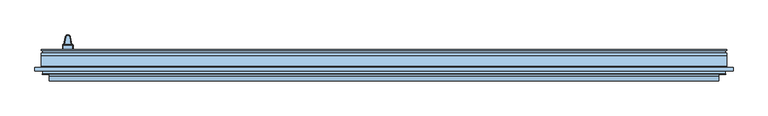
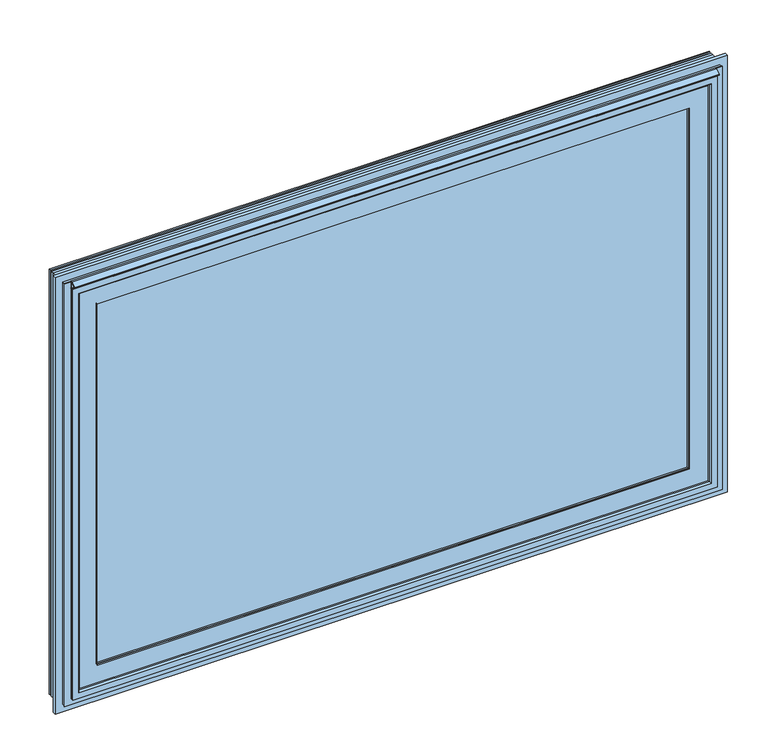
"""IFC4 building model written with IfcOpenShell, lengths in millimetres: window geometry."""

from ifc_helpers import new_model, si_unit, point, frame, origin, place, context, project, spatial, polyline, circle_curve, ellipse_curve, trimmed, outline, extrude, faceted_brep, source, transform, mapped, element, save
from ifc_brep_helpers import plane_surface, cylinder_surface, revolved_surface, advanced_brep


def window_07ccce15(model_context):
    return source(origin(), model_context, "Body", "SolidModel", [
        advanced_brep(
        [(-957.4543751, 15.0, 741.3979431), (-956.7147918, 15.0, 740.4324468), (-956.7147918, 15.0, 649.5675532), (-957.4543751, 15.0, 648.6020569), (-982.9752084, 15.0, 648.6020569), (-983.7147918, 15.0, 649.5675532), (-983.7147918, 15.0, 740.4324468), (-982.9752084, 15.0, 741.3979431), (-979.1685119, 15.0, 710.0), (-982.2147918, 15.0, 707.0), (-982.2147918, 15.0, 680.0), (-958.2147918, 15.0, 680.0), (-958.2147918, 15.0, 707.0), (-961.2610716, 15.0, 710.0), (-986.7147918, 0.0, 649.5675532), (-983.7564584, 0.0, 645.7055679), (-956.6731251, 0.0, 645.7055679), (-953.7147918, 0.0, 649.5675532), (-953.7147918, 0.0, 740.4324468), (-956.6731251, 0.0, 744.2944321), (-983.7564584, 0.0, 744.2944321), (-986.7147918, 0.0, 740.4324468), (-983.7564584, 12.0000017, 645.7055679), (-956.6731251, 12.0, 645.7055679), (-953.7147918, 12.0, 649.5675532), (-953.7147918, 12.0, 740.4324468), (-956.6731251, 12.0000017, 744.2944321), (-983.7564584, 12.0, 744.2944321), (-986.7147918, 12.0, 740.4324468), (-986.7147918, 12.0, 649.5675532), (-965.2793046, 37.7885318, 710.0), (-975.1502789, 37.7885318, 710.0), (-962.3248814, 38.3094763, 572.088623), (-978.1047022, 38.3094763, 572.088623), (-962.3248814, 38.3094763, 680.0), (-962.3248814, 38.3094763, 707.0000026), (-978.1047022, 38.3094763, 680.0), (-978.1047022, 38.3094763, 707.0)],
        [
            (0, 1, circle_curve(frame((-957.7147918, 15.0, 740.4324468), z_axis=(0.0, 1.0, 0.0), x_axis=(1.0, 0.0, 0.0)), 1.0)),
            (1, 2),
            (2, 3, circle_curve(frame((-957.7147918, 15.0, 649.5675532), z_axis=(0.0, 1.0, 0.0), x_axis=(0.2604166666660539, 0.0, -0.965496328176623)), 1.0)),
            (3, 4, circle_curve(frame((-970.2147918, 15.0, 695.911377), z_axis=(0.0, 1.0, 0.0), x_axis=(-0.2604166666666265, 0.0, -0.9654963281764687)), 49.0)),
            (4, 5, circle_curve(frame((-982.7147918, 15.0, 649.5675532), z_axis=(0.0, 1.0, 0.0), x_axis=(-1.0, 0.0, 0.0)), 1.0)),
            (5, 6),
            (6, 7, circle_curve(frame((-982.7147918, 15.0, 740.4324468), z_axis=(0.0, 1.0, 0.0), x_axis=(-0.2604166666664053, 0.0, 0.9654963281765282)), 1.0)),
            (7, 0, circle_curve(frame((-970.2147918, 15.0, 694.088623), z_axis=(0.0, 1.0, 0.0), x_axis=(0.26041666666640656, 0.0, 0.965496328176528)), 49.0)),
            (8, 9, ellipse_curve(frame((-979.1685119, 15.0, 707.0), z_axis=(0.0, -1.0, 0.0), x_axis=(1.0, 0.0, 0.0)), 3.0462798, 3.0)),
            (9, 10),
            (10, 11),
            (11, 12),
            (12, 13, ellipse_curve(frame((-961.2610716, 15.0, 707.0), z_axis=(0.0, -1.0, 0.0), x_axis=(1.0, 0.0, 0.0)), 3.0462798, 3.0)),
            (13, 8),
            (14, 15, circle_curve(frame((-982.7147918, 0.0, 649.5675532), z_axis=(0.0, -1.0, 0.0), x_axis=(1.0, 0.0, 0.0)), 4.0)),
            (15, 16, circle_curve(frame((-970.2147918, 0.0, 695.911377), z_axis=(0.0, -1.0, 0.0), x_axis=(1.0, 0.0, 0.0)), 52.0)),
            (16, 17, circle_curve(frame((-957.7147918, 0.0, 649.5675532), z_axis=(0.0, -1.0, 0.0), x_axis=(-1.0, 0.0, 0.0)), 4.0)),
            (17, 18),
            (18, 19, circle_curve(frame((-957.7147918, 0.0, 740.4324468), z_axis=(0.0, -1.0, 0.0), x_axis=(-1.0, 0.0, 0.0)), 4.0)),
            (19, 20, circle_curve(frame((-970.2147918, 0.0, 694.088623), z_axis=(0.0, -1.0, 0.0), x_axis=(1.0, 0.0, 0.0)), 52.0)),
            (20, 21, circle_curve(frame((-982.7147918, 0.0, 740.4324468), z_axis=(0.0, -1.0, 0.0), x_axis=(1.0, 0.0, 0.0)), 4.0)),
            (21, 14),
            (15, 22),
            (22, 23, circle_curve(frame((-970.2147918, 12.0, 695.911377), z_axis=(0.0, -1.0, 0.0), x_axis=(1.0, 0.0, 0.0)), 52.0)),
            (23, 16),
            (17, 24),
            (24, 25),
            (25, 18),
            (19, 26),
            (26, 27, circle_curve(frame((-970.2147918, 12.0, 694.088623), z_axis=(0.0, -1.0, 0.0), x_axis=(1.0, 0.0, 0.0)), 52.0)),
            (27, 20),
            (21, 28),
            (28, 29),
            (29, 14),
            (26, 0, circle_curve(frame((-957.4543751, 12.0, 741.3979431), z_axis=(-0.965496328176528, 0.0, 0.26041666666640645), x_axis=(0.26041666666640645, 0.0, 0.965496328176528)), 3.0)),
            (7, 27, circle_curve(frame((-982.9752084, 12.0, 741.3979431), z_axis=(0.9654963281765283, 0.0, 0.26041666666640545), x_axis=(-0.26041666666640545, 0.0, 0.9654963281765283)), 3.0)),
            (28, 6, circle_curve(frame((-983.7147918, 12.0, 740.4324468), z_axis=(0.0, 0.0, -1.0), x_axis=(-1.0, 0.0, 0.0)), 3.0)),
            (5, 29, circle_curve(frame((-983.7147918, 12.0, 649.5675532), z_axis=(0.0, 0.0, 1.0), x_axis=(-1.0, 0.0, 0.0)), 3.0)),
            (22, 4, circle_curve(frame((-982.9752084, 12.0, 648.6020569), z_axis=(0.9654963281764687, 0.0, -0.2604166666666264), x_axis=(-0.2604166666666264, 0.0, -0.9654963281764687)), 3.0)),
            (3, 23, circle_curve(frame((-957.4543751, 12.0, 648.6020569), z_axis=(-0.9654963281766014, 0.0, -0.26041666666613444), x_axis=(0.26041666666613444, 0.0, -0.9654963281766014)), 3.0)),
            (24, 2, circle_curve(frame((-956.7147918, 12.0, 649.5675532), z_axis=(0.0, 0.0, 1.0), x_axis=(1.0, 0.0, 0.0)), 3.0)),
            (1, 25, circle_curve(frame((-956.7147918, 12.0, 740.4324468), z_axis=(0.0, 0.0, -1.0), x_axis=(1.0, 0.0, 0.0)), 3.0)),
            (29, 22, circle_curve(frame((-982.7147918, 12.0, 649.5675532), z_axis=(0.0, -1.0, 0.0), x_axis=(1.0, 0.0, 0.0)), 4.0)),
            (23, 24, circle_curve(frame((-957.7147918, 12.0, 649.5675532), z_axis=(0.0, -1.0, 0.0), x_axis=(-1.0, 0.0, 0.0)), 4.0)),
            (25, 26, circle_curve(frame((-957.7147918, 12.0, 740.4324468), z_axis=(0.0, -1.0, 0.0), x_axis=(-1.0, 0.0, 0.0)), 4.0)),
            (27, 28, circle_curve(frame((-982.7147918, 12.0, 740.4324468), z_axis=(0.0, -1.0, 0.0), x_axis=(1.0, 0.0, 0.0)), 4.0)),
            (13, 30),
            (30, 31, circle_curve(frame((-970.2147918, 36.9182722, 710.0), z_axis=(0.0, 0.0, 1.0), x_axis=(-0.9848077530122089, 0.17364817766692564, 0.0)), 5.011625)),
            (31, 8),
            (32, 33, circle_curve(frame((-970.2147918, 36.9182722, 572.088623), z_axis=(0.0, 0.0, -1.0), x_axis=(1.0, 0.0, 0.0)), 8.011625)),
            (33, 32, circle_curve(frame((-970.2147918, 36.9182722, 572.088623), z_axis=(0.0, 0.0, -1.0), x_axis=(1.0, 0.0, 0.0)), 8.011625)),
            (11, 34),
            (34, 35),
            (35, 12),
            (33, 36),
            (36, 37),
            (37, 35, circle_curve(frame((-970.2147918, 36.9182722, 707.0), z_axis=(0.0, 0.0, -1.0), x_axis=(1.0, 0.0, 0.0)), 8.011625)),
            (34, 32),
            (36, 10),
            (9, 37),
            (31, 37, circle_curve(frame((-975.1502789, 37.7885318, 707.0), z_axis=(-0.17364817766693155, -0.9848077530122079, 0.0), x_axis=(0.9848077530122079, -0.17364817766693155, 0.0)), 3.0)),
            (30, 35, circle_curve(frame((-965.2793046, 37.7885318, 707.0), z_axis=(-0.1736481776669173, 0.9848077530122104, 0.0), x_axis=(-0.9848077530122104, -0.1736481776669173, 0.0)), 3.0)),
            (36, 34, circle_curve(frame((-970.2147918, 36.9182722, 680.0), z_axis=(0.0, 0.0, 1.0), x_axis=(1.0, 0.0, 0.0)), 8.011625)),
        ],
        [
            plane_surface(frame((-978.7147918, 15.0, 649.5675532), z_axis=(0.0, 1.0, 0.0), x_axis=(0.0, 0.0, 1.0))),
            plane_surface(frame((-978.7147918, 0.0, 649.5675532), z_axis=(0.0, -1.0, 0.0), x_axis=(0.0, 0.0, -1.0))),
            cylinder_surface(frame((-970.2147918, 0.0, 695.911377), z_axis=(0.0, 1.0, 0.0), x_axis=(1.0, 0.0, 0.0)), 52.0),
            plane_surface(frame((-953.7147918, 15.0, 649.5675532), z_axis=(1.0, 0.0, 0.0), x_axis=(0.0, -1.0, 0.0))),
            cylinder_surface(frame((-970.2147918, 0.0, 694.088623), z_axis=(0.0, 1.0, 0.0), x_axis=(1.0, 0.0, 0.0)), 52.0),
            plane_surface(frame((-986.7147918, 15.0, 740.4324468), z_axis=(-1.0, 0.0, 0.0), x_axis=(0.0, -1.0, 0.0))),
            revolved_surface(trimmed(ellipse_curve(frame((-957.4543751, 12.0, 741.3979431), z_axis=(-0.965496328176528, 0.0, 0.26041666666640645), x_axis=(0.26041666666640645, 0.0, 0.965496328176528)), 3.0, 3.0), [point((-956.6731251, 12.0, 744.2944321))], [point((-957.4543751, 15.0, 741.3979431))], True, "CARTESIAN"), (-970.2147918, 0.0, 694.088623), (0.0, 1.0, 0.0)),
            cylinder_surface(frame((-983.7147918, 12.0, 740.4324468), z_axis=(0.0, 0.0, -1.0), x_axis=(-1.0, 0.0, 0.0)), 3.0),
            revolved_surface(trimmed(ellipse_curve(frame((-982.9752084, 12.0, 648.6020569), z_axis=(0.9654963281764687, 0.0, -0.2604166666666264), x_axis=(-0.2604166666666264, 0.0, -0.9654963281764687)), 3.0, 3.0), [point((-983.7564584, 12.0, 645.7055679))], [point((-982.9752084, 15.0, 648.6020569))], True, "CARTESIAN"), (-970.2147918, 0.0, 695.911377), (0.0, 1.0, 0.0)),
            cylinder_surface(frame((-956.7147918, 12.0, 649.5675532), z_axis=(0.0, 0.0, 1.0), x_axis=(1.0, 0.0, 0.0)), 3.0),
            cylinder_surface(frame((-982.7147918, 0.0, 649.5675532), z_axis=(0.0, 1.0, 0.0), x_axis=(1.0, 0.0, 0.0)), 4.0),
            cylinder_surface(frame((-957.7147918, 0.0, 649.5675532), z_axis=(0.0, 1.0, 0.0), x_axis=(-1.0, 0.0, 0.0)), 4.0),
            cylinder_surface(frame((-957.7147918, 0.0, 740.4324468), z_axis=(0.0, 1.0, 0.0), x_axis=(-1.0, 0.0, 0.0)), 4.0),
            cylinder_surface(frame((-982.7147918, 0.0, 740.4324468), z_axis=(0.0, 1.0, 0.0), x_axis=(1.0, 0.0, 0.0)), 4.0),
            revolved_surface(trimmed(ellipse_curve(frame((-956.7147918, 12.0, 740.4324468), z_axis=(0.0, 0.0, 1.0), x_axis=(1.0, 0.0, 0.0)), 3.0, 3.0), [point((-953.7147918, 12.0, 740.4324468))], [point((-956.7147918, 15.0, 740.4324468))], True, "CARTESIAN"), (-957.7147918, 0.0, 740.4324468), (0.0, 1.0, 0.0)),
            revolved_surface(trimmed(ellipse_curve(frame((-982.9752084, 12.0, 741.3979431), z_axis=(-0.9654963281765282, 0.0, -0.26041666666640545), x_axis=(-0.26041666666640545, 0.0, 0.9654963281765282)), 3.0, 3.0), [point((-983.7564584, 12.0, 744.2944321))], [point((-982.9752084, 15.0, 741.3979431))], True, "CARTESIAN"), (-982.7147918, 0.0, 740.4324468), (0.0, 1.0, 0.0)),
            revolved_surface(trimmed(ellipse_curve(frame((-983.7147918, 12.0, 649.5675532), z_axis=(0.0, 0.0, -1.0), x_axis=(-1.0, 0.0, 0.0)), 3.0, 3.0), [point((-986.7147918, 12.0, 649.5675532))], [point((-983.7147918, 15.0, 649.5675532))], True, "CARTESIAN"), (-982.7147918, 0.0, 649.5675532), (0.0, 1.0, 0.0)),
            revolved_surface(trimmed(ellipse_curve(frame((-957.4543751, 12.0, 648.6020569), z_axis=(0.965496328176623, 0.0, 0.260416666666054), x_axis=(0.260416666666054, 0.0, -0.965496328176623)), 3.0, 3.0), [point((-956.6731251, 12.0, 645.7055679))], [point((-957.4543751, 15.0, 648.6020569))], True, "CARTESIAN"), (-957.7147918, 0.0, 649.5675532), (0.0, 1.0, 0.0)),
            plane_surface(frame((-982.2147918, 15.0, 710.0), z_axis=(0.0, 0.0, 1.0), x_axis=(0.17364817766693152, 0.9848077530122079, 0.0))),
            plane_surface(frame((-982.2147918, 15.0, 572.088623), z_axis=(0.0, 0.0, -1.0), x_axis=(-0.17364817766693152, -0.9848077530122079, 0.0))),
            plane_surface(frame((-962.3248814, 38.3094763, 710.0), z_axis=(0.9848077530122115, 0.1736481776669116, 0.0), x_axis=(0.0, 0.0, -1.0))),
            cylinder_surface(frame((-970.2147918, 36.9182722, 572.088623), z_axis=(0.0, 0.0, 1.0), x_axis=(1.0, 0.0, 0.0)), 8.011625),
            plane_surface(frame((-982.2147918, 15.0, 710.0), z_axis=(-0.9848077530122079, 0.17364817766693152, 0.0), x_axis=(0.0, 0.0, -1.0))),
            cylinder_surface(frame((-979.2603685, 14.4790555, 707.0), z_axis=(0.17364817766693155, 0.9848077530122079, 0.0), x_axis=(0.9848077530122079, -0.17364817766693155, 0.0)), 3.0),
            revolved_surface(trimmed(ellipse_curve(frame((-975.1502789, 37.7885318, 707.0), z_axis=(0.17364817766692567, 0.9848077530122089, 0.0), x_axis=(0.9848077530122089, -0.17364817766692567, 0.0)), 3.0, 3.0), [point((-978.1047022, 38.3094763, 707.0))], [point((-975.1502789, 37.7885318, 710.0))], True, "CARTESIAN"), (-970.2147918, 36.9182722, 695.0), (0.0, 0.0, 1.0)),
            cylinder_surface(frame((-965.2793046, 37.7885318, 707.0), z_axis=(0.17364817766691146, -0.9848077530122115, 0.0), x_axis=(-0.9848077530122115, -0.17364817766691146, 0.0)), 3.0),
            plane_surface(frame((-978.1047022, 38.3094763, 680.0), z_axis=(0.0, 0.0, -1.0), x_axis=(0.17364817766693152, 0.9848077530122079, 0.0))),
            cylinder_surface(frame((-970.2147918, 36.9182722, 680.0), z_axis=(0.0, 0.0, 1.0), x_axis=(1.0, 0.0, 0.0)), 8.011625),
        ],
        [
            (0, [[1, 2, 3, 4, 5, 6, 7, 8], [9, 10, 11, 12, 13, 14]]),
            (1, [[15, 16, 17, 18, 19, 20, 21, 22]]),
            (2, [[23, 24, 25, -16]]),
            (3, [[26, 27, 28, -18]]),
            (4, [[29, 30, 31, -20]]),
            (5, [[32, 33, 34, -22]]),
            (6, [[-30, 35, -8, 36]]),
            (7, [[-33, 37, -6, 38]]),
            (8, [[-24, 39, -4, 40]]),
            (9, [[-27, 41, -2, 42]]),
            (10, [[-34, 43, -23, -15]]),
            (11, [[-25, 44, -26, -17]]),
            (12, [[-28, 45, -29, -19]]),
            (13, [[-31, 46, -32, -21]]),
            (14, [[-45, -42, -1, -35]]),
            (15, [[-7, -37, -46, -36]]),
            (16, [[-5, -39, -43, -38]]),
            (17, [[-3, -41, -44, -40]]),
            (18, [[-14, 47, 48, 49]]),
            (19, [[50, 51]]),
            (20, [[-12, 52, 53, 54]]),
            (21, [[55, 56, 57, -53, 58, -51]]),
            (22, [[-56, 59, -10, 60]]),
            (23, [[-60, -9, -49, 61]]),
            (24, [[-48, 62, -57, -61]]),
            (25, [[-47, -13, -54, -62]]),
            (26, [[-52, -11, -59, 63]]),
            (27, [[-55, -50, -58, -63]]),
        ],
    ),
        extrude(outline(polyline([(-78.0, 1461.3), (-78.0, 1439.3), (-79.5, 1439.3), (-79.5, 1459.8), (-81.5947324, 1459.8), (-96.5, 1451.2320776), (-96.5, 1448.1), (-98.0, 1448.1), (-98.0, 1452.102381), (-81.8082792, 1461.3), (-78.0, 1461.3)])), frame((-1027.4647918, 0.0, 0.0), z_axis=(1.0, 0.0, 0.0), x_axis=(0.0, 1.0, 0.0)), (0.0, 0.0, 1.0), 2054.9295835),
        extrude(outline(polyline([(956.9771163, -20.9993551), (956.9771163, -68.9993551), (-956.9771163, -68.9993551), (-956.9771163, -20.9993551), (956.9771163, -20.9993551)])), frame((0.0, 0.0, 124.4876756), z_axis=(0.0, 0.0, 1.0), x_axis=(1.0, 0.0, 0.0)), (0.0, 0.0, 1.0), 1243.6246488),
        faceted_brep([(-1027.4647918, -78.0, 54.0000001), (1027.4647918, -78.0, 54.0000001), (1027.4647918, -82.5, 54.0000001), (-1027.4647918, -82.5, 54.0000001), (-1020.4647918, -82.5, 61.0000001), (1020.4647918, -82.5, 61.0000001), (1020.4647918, -78.0, 61.0000001), (-1020.4647918, -78.0, 61.0000001), (1027.4647918, -78.0, 1438.5999999), (1027.4647918, -82.5, 1438.5999999), (1020.4647918, -82.5, 1431.5999999), (1020.4647918, -78.0, 1431.5999999), (-1027.4647918, -78.0, 1438.5999999), (-1027.4647918, -82.5, 1438.5999999), (-1020.4647918, -82.5, 1431.5999999), (-1020.4647918, -78.0, 1431.5999999)], [[[0, 1, 2, 3]], [[4, 5, 6, 7]], [[1, 8, 9, 2]], [[5, 10, 11, 6]], [[8, 12, 13, 9]], [[10, 14, 15, 11]], [[3, 2, 9, 13], [5, 4, 14, 10]], [[12, 0, 3, 13]], [[1, 0, 12, 8], [7, 6, 11, 15]], [[14, 4, 7, 15]]]),
        faceted_brep([(-943.3778579, -72.9993551, 138.0869339), (943.3778579, -72.9993551, 138.0869339), (941.0480949, -68.9993551, 140.4166969), (-941.0480949, -68.9993551, 140.4166969), (-951.7929373, -68.9993551, 129.6718545), (951.7929373, -68.9993551, 129.6718545), (951.7929373, -72.9993551, 129.6718545), (-951.7929373, -72.9993551, 129.6718545), (943.3778579, -72.9993551, 1354.5130661), (941.0480949, -68.9993551, 1352.1833031), (951.7929373, -68.9993551, 1362.9281455), (951.7929373, -72.9993551, 1362.9281455), (-943.3778579, -72.9993551, 1354.5130661), (-941.0480949, -68.9993551, 1352.1833031), (-951.7929373, -68.9993551, 1362.9281455), (-951.7929373, -72.9993551, 1362.9281455)], [[[0, 1, 2, 3]], [[4, 5, 6, 7]], [[1, 8, 9, 2]], [[5, 10, 11, 6]], [[8, 12, 13, 9]], [[10, 14, 15, 11]], [[12, 0, 3, 13]], [[7, 6, 11, 15], [1, 0, 12, 8]], [[14, 4, 7, 15]], [[5, 4, 14, 10], [3, 2, 9, 13]]]),
        faceted_brep([(-958.2771163, -58.5822771, 123.1876756), (958.2771163, -58.5822771, 123.1876756), (958.2771163, -20.9993551, 123.1876756), (-958.2771163, -20.9993551, 123.1876756), (-962.3728445, -60.9469469, 119.0919473), (962.3728445, -60.9469469, 119.0919473), (-963.9647918, -13.5, 117.5000001), (963.9647918, -13.5, 117.5000001), (963.9647918, -60.9469469, 117.5000001), (-963.9647918, -60.9469469, 117.5000001), (-941.1542646, -20.9993551, 140.3105273), (941.1542646, -20.9993551, 140.3105273), (943.9647918, -13.5, 137.5000001), (-943.9647918, -13.5, 137.5000001), (958.2771163, -58.5822771, 1369.4123244), (958.2771163, -20.9993551, 1369.4123244), (962.3728445, -60.9469469, 1373.5080527), (963.9647918, -13.5, 1375.0999999), (963.9647918, -60.9469469, 1375.0999999), (941.1542646, -20.9993551, 1352.2894727), (943.9647918, -13.5, 1355.0999999), (-958.2771163, -58.5822771, 1369.4123244), (-958.2771163, -20.9993551, 1369.4123244), (-962.3728445, -60.9469469, 1373.5080527), (-963.9647918, -13.5, 1375.0999999), (-963.9647918, -60.9469469, 1375.0999999), (-941.1542646, -20.9993551, 1352.2894727), (-943.9647918, -13.5, 1355.0999999)], [[[0, 1, 2, 3]], [[4, 5, 1, 0]], [[6, 7, 8, 9]], [[10, 11, 12, 13]], [[1, 14, 15, 2]], [[5, 16, 14, 1]], [[7, 17, 18, 8]], [[11, 19, 20, 12]], [[14, 21, 22, 15]], [[16, 23, 21, 14]], [[17, 24, 25, 18]], [[19, 26, 27, 20]], [[3, 2, 15, 22], [11, 10, 26, 19]], [[21, 0, 3, 22]], [[23, 4, 0, 21]], [[9, 8, 18, 25], [5, 4, 23, 16]], [[24, 6, 9, 25]], [[7, 6, 24, 17], [13, 12, 20, 27]], [[26, 10, 13, 27]]]),
        faceted_brep([(-969.5880377, -26.7771367, 111.8767541), (969.5880377, -26.7771367, 111.8767541), (969.5880377, -58.1, 111.8767541), (-969.5880377, -58.1, 111.8767541), (-963.9647918, -58.1, 117.5000001), (963.9647918, -58.1, 117.5000001), (963.9647918, -26.7771367, 117.5000001), (-963.9647918, -26.7771367, 117.5000001), (969.5880377, -26.7771367, 1380.7232459), (969.5880377, -58.1, 1380.7232459), (963.9647918, -58.1, 1375.0999999), (963.9647918, -26.7771367, 1375.0999999), (-969.5880377, -26.7771367, 1380.7232459), (-969.5880377, -58.1, 1380.7232459), (-963.9647918, -58.1, 1375.0999999), (-963.9647918, -26.7771367, 1375.0999999)], [[[0, 1, 2, 3]], [[4, 5, 6, 7]], [[1, 8, 9, 2]], [[5, 10, 11, 6]], [[8, 12, 13, 9]], [[10, 14, 15, 11]], [[12, 0, 3, 13]], [[1, 0, 12, 8], [7, 6, 11, 15]], [[14, 4, 7, 15]], [[3, 2, 9, 13], [5, 4, 14, 10]]]),
        faceted_brep([(-996.5641956, -51.4228632, 84.9005963), (996.5641956, -51.4228632, 84.9005963), (996.5641956, -21.9771368, 84.9005963), (-996.5641956, -21.9771368, 84.9005963), (-1001.8874415, -48.9897789, 79.5773503), (1001.8874415, -48.9897789, 79.5773503), (1001.8874415, -51.4228632, 79.5773503), (-1001.8874415, -51.4228632, 79.5773503), (-1009.4736771, -48.3419882, 71.9911148), (1009.4736771, -48.3419882, 71.9911148), (-1007.4510531, -24.6551673, 74.0137388), (1007.4510531, -24.6551673, 74.0137388), (-1001.8874415, -21.9771368, 79.5773503), (1001.8874415, -21.9771368, 79.5773503), (1001.8874415, -24.6551673, 79.5773503), (-1001.8874415, -24.6551673, 79.5773503), (996.5641956, -51.4228632, 1407.6994037), (996.5641956, -21.9771368, 1407.6994037), (1001.8874415, -48.9897789, 1413.0226497), (1001.8874415, -51.4228632, 1413.0226497), (1009.4736771, -48.3419882, 1420.6088852), (1007.4510531, -24.6551673, 1418.5862612), (1001.8874415, -21.9771368, 1413.0226497), (1001.8874415, -24.6551673, 1413.0226497), (-996.5641956, -51.4228632, 1407.6994037), (-996.5641956, -21.9771368, 1407.6994037), (-1001.8874415, -48.9897789, 1413.0226497), (-1001.8874415, -51.4228632, 1413.0226497), (-1009.4736771, -48.3419882, 1420.6088852), (-1007.4510531, -24.6551673, 1418.5862612), (-1001.8874415, -21.9771368, 1413.0226497), (-1001.8874415, -24.6551673, 1413.0226497)], [[[0, 1, 2, 3]], [[4, 5, 6, 7]], [[8, 9, 5, 4]], [[10, 11, 9, 8]], [[12, 13, 14, 15]], [[1, 16, 17, 2]], [[5, 18, 19, 6]], [[9, 20, 18, 5]], [[11, 21, 20, 9]], [[13, 22, 23, 14]], [[16, 24, 25, 17]], [[18, 26, 27, 19]], [[20, 28, 26, 18]], [[21, 29, 28, 20]], [[22, 30, 31, 23]], [[13, 12, 30, 22], [3, 2, 17, 25]], [[24, 0, 3, 25]], [[7, 6, 19, 27], [1, 0, 24, 16]], [[26, 4, 7, 27]], [[28, 8, 4, 26]], [[29, 10, 8, 28]], [[11, 10, 29, 21], [15, 14, 23, 31]], [[30, 12, 15, 31]]]),
        faceted_brep([(-943.9647917, -13.5, 137.5000001), (943.9647917, -13.5, 137.5000001), (943.9647917, 0.0, 137.5000001), (-943.9647917, 0.0, 137.5000001), (-963.9647918, -26.7771367, 117.5000001), (963.9647918, -26.7771367, 117.5000001), (963.9647918, -13.5, 117.5000001), (-963.9647918, -13.5, 117.5000001), (-972.8647918, -17.2, 108.6000001), (972.8647918, -17.2, 108.6000001), (972.8647918, -26.7771367, 108.6000001), (-972.8647918, -26.7771367, 108.6000001), (-993.2935105, -21.9771368, 88.1712814), (993.2935105, -21.9771368, 88.1712814), (993.2935105, -17.2, 88.1712814), (-993.2935105, -17.2, 88.1712814), (-1001.8874415, -9.5, 79.5773503), (1001.8874415, -9.5, 79.5773503), (1001.8874415, -21.9771368, 79.5773503), (-1001.8874415, -21.9771368, 79.5773503), (-996.4647918, 0.0, 85.0000001), (996.4647918, 0.0, 85.0000001), (996.4647918, -9.5, 85.0000001), (-996.4647918, -9.5, 85.0000001), (943.9647917, -13.5, 1355.0999999), (943.9647917, 0.0, 1355.0999999), (963.9647918, -26.7771367, 1375.0999999), (963.9647918, -13.5, 1375.0999999), (972.8647918, -17.2, 1383.9999999), (972.8647918, -26.7771367, 1383.9999999), (993.2935105, -21.9771368, 1404.4287186), (993.2935105, -17.2, 1404.4287186), (1001.8874415, -9.5, 1413.0226497), (1001.8874415, -21.9771368, 1413.0226497), (996.4647918, 0.0, 1407.5999999), (996.4647918, -9.5, 1407.5999999), (-943.9647917, -13.5, 1355.0999999), (-943.9647917, 0.0, 1355.0999999), (-963.9647918, -26.7771367, 1375.0999999), (-963.9647918, -13.5, 1375.0999999), (-972.8647918, -17.2, 1383.9999999), (-972.8647918, -26.7771367, 1383.9999999), (-993.2935105, -21.9771368, 1404.4287186), (-993.2935105, -17.2, 1404.4287186), (-1001.8874415, -9.5, 1413.0226497), (-1001.8874415, -21.9771368, 1413.0226497), (-996.4647918, 0.0, 1407.5999999), (-996.4647918, -9.5, 1407.5999999)], [[[0, 1, 2, 3]], [[4, 5, 6, 7]], [[8, 9, 10, 11]], [[12, 13, 14, 15]], [[16, 17, 18, 19]], [[20, 21, 22, 23]], [[1, 24, 25, 2]], [[5, 26, 27, 6]], [[9, 28, 29, 10]], [[13, 30, 31, 14]], [[17, 32, 33, 18]], [[21, 34, 35, 22]], [[24, 36, 37, 25]], [[26, 38, 39, 27]], [[28, 40, 41, 29]], [[30, 42, 43, 31]], [[32, 44, 45, 33]], [[34, 46, 47, 35]], [[21, 20, 46, 34], [3, 2, 25, 37]], [[36, 0, 3, 37]], [[7, 6, 27, 39], [1, 0, 36, 24]], [[38, 4, 7, 39]], [[11, 10, 29, 41], [5, 4, 38, 26]], [[40, 8, 11, 41]], [[15, 14, 31, 43], [9, 8, 40, 28]], [[42, 12, 15, 43]], [[19, 18, 33, 45], [13, 12, 42, 30]], [[44, 16, 19, 45]], [[17, 16, 44, 32], [23, 22, 35, 47]], [[46, 20, 23, 47]]]),
        faceted_brep([(-1027.4647918, -82.5, 54.0000001), (1027.4647918, -82.5, 54.0000001), (1027.4647918, -87.5, 54.0000001), (-1027.4647918, -87.5, 54.0000001), (-1020.4647918, -85.7, 61.0000001), (1020.4647918, -85.7, 61.0000001), (1020.4647918, -82.5, 61.0000001), (-1020.4647918, -82.5, 61.0000001), (-1005.4647918, -82.5, 76.0000001), (1005.4647918, -82.5, 76.0000001), (1008.6647918, -85.7, 72.8000001), (-1008.6647918, -85.7, 72.8000001), (-1005.4647918, -79.8, 76.0000001), (1005.4647918, -79.8, 76.0000001), (-1009.9647918, -75.5027967, 71.5000001), (1009.9647918, -75.5027967, 71.5000001), (1009.9647918, -79.8, 71.5000001), (-1009.9647918, -79.8, 71.5000001), (-1005.3647918, -60.4972033, 76.1000001), (1005.3647918, -60.4972033, 76.1000001), (1005.3647918, -75.5027967, 76.1000001), (-1005.3647918, -75.5027967, 76.1000001), (-1009.9647918, -56.2, 71.5000001), (1009.9647918, -56.2, 71.5000001), (1009.9647918, -60.4972033, 71.5000001), (-1009.9647918, -60.4972033, 71.5000001), (-1001.8874415, -51.4228632, 79.5773503), (1001.8874415, -51.4228632, 79.5773503), (1001.8874415, -56.2, 79.5773503), (-1001.8874415, -56.2, 79.5773503), (-992.196545, -58.1, 89.2682469), (992.196545, -58.1, 89.2682469), (992.196545, -51.4228632, 89.2682469), (-992.196545, -51.4228632, 89.2682469), (-963.9647918, -66.0, 117.5000001), (963.9647918, -66.0, 117.5000001), (963.9647918, -58.1, 117.5000001), (-963.9647918, -58.1, 117.5000001), (-968.4647918, -76.0, 113.0000001), (968.4647918, -76.0, 113.0000001), (968.4647918, -66.0, 113.0000001), (-968.4647918, -66.0, 113.0000001), (-952.7647917, -72.9993551, 128.7000001), (952.7647917, -72.9993551, 128.7000001), (952.7647917, -76.0, 128.7000001), (-952.7647917, -76.0, 128.7000001), (-943.9647917, -78.0, 137.5000001), (943.9647917, -78.0, 137.5000001), (943.9647917, -72.9993551, 137.5000001), (-943.9647917, -72.9993551, 137.5000001), (-1003.6647918, -82.7, 77.8000001), (1003.6647918, -82.7, 77.8000001), (1003.6647918, -78.0, 77.8000001), (-1003.6647918, -78.0, 77.8000001), (-1008.4647918, -87.5, 73.0000001), (1008.4647918, -87.5, 73.0000001), (1027.4647918, -82.5, 1438.5999999), (1027.4647918, -87.5, 1438.5999999), (1020.4647918, -85.7, 1431.5999999), (1020.4647918, -82.5, 1431.5999999), (1005.4647918, -82.5, 1416.5999999), (1008.6647918, -85.7, 1419.7999999), (1005.4647918, -79.8, 1416.5999999), (1009.9647918, -75.5027967, 1421.0999999), (1009.9647918, -79.8, 1421.0999999), (1005.3647918, -60.4972033, 1416.4999999), (1005.3647918, -75.5027967, 1416.4999999), (1009.9647918, -56.2, 1421.0999999), (1009.9647918, -60.4972033, 1421.0999999), (1001.8874415, -51.4228632, 1413.0226497), (1001.8874415, -56.2, 1413.0226497), (992.196545, -58.1, 1403.3317531), (992.196545, -51.4228632, 1403.3317531), (963.9647918, -66.0, 1375.0999999), (963.9647918, -58.1, 1375.0999999), (968.4647918, -76.0, 1379.5999999), (968.4647918, -66.0, 1379.5999999), (952.7647917, -72.9993551, 1363.8999999), (952.7647917, -76.0, 1363.8999999), (943.9647917, -78.0, 1355.0999999), (943.9647917, -72.9993551, 1355.0999999), (1003.6647918, -82.7, 1414.7999999), (1003.6647918, -78.0, 1414.7999999), (1008.4647918, -87.5, 1419.5999999), (-1027.4647918, -82.5, 1438.5999999), (-1027.4647918, -87.5, 1438.5999999), (-1020.4647918, -85.7, 1431.5999999), (-1020.4647918, -82.5, 1431.5999999), (-1005.4647918, -82.5, 1416.5999999), (-1008.6647918, -85.7, 1419.7999999), (-1005.4647918, -79.8, 1416.5999999), (-1009.9647918, -75.5027967, 1421.0999999), (-1009.9647918, -79.8, 1421.0999999), (-1005.3647918, -60.4972033, 1416.4999999), (-1005.3647918, -75.5027967, 1416.4999999), (-1009.9647918, -56.2, 1421.0999999), (-1009.9647918, -60.4972033, 1421.0999999), (-1001.8874415, -51.4228632, 1413.0226497), (-1001.8874415, -56.2, 1413.0226497), (-992.196545, -58.1, 1403.3317531), (-992.196545, -51.4228632, 1403.3317531), (-963.9647918, -66.0, 1375.0999999), (-963.9647918, -58.1, 1375.0999999), (-968.4647918, -76.0, 1379.5999999), (-968.4647918, -66.0, 1379.5999999), (-952.7647917, -72.9993551, 1363.8999999), (-952.7647917, -76.0, 1363.8999999), (-943.9647917, -78.0, 1355.0999999), (-943.9647917, -72.9993551, 1355.0999999), (-1003.6647918, -82.7, 1414.7999999), (-1003.6647918, -78.0, 1414.7999999), (-1008.4647918, -87.5, 1419.5999999)], [[[0, 1, 2, 3]], [[4, 5, 6, 7]], [[8, 9, 10, 11]], [[12, 13, 9, 8]], [[14, 15, 16, 17]], [[18, 19, 20, 21]], [[22, 23, 24, 25]], [[26, 27, 28, 29]], [[30, 31, 32, 33]], [[34, 35, 36, 37]], [[38, 39, 40, 41]], [[42, 43, 44, 45]], [[46, 47, 48, 49]], [[50, 51, 52, 53]], [[54, 55, 51, 50]], [[1, 56, 57, 2]], [[5, 58, 59, 6]], [[9, 60, 61, 10]], [[13, 62, 60, 9]], [[15, 63, 64, 16]], [[19, 65, 66, 20]], [[23, 67, 68, 24]], [[27, 69, 70, 28]], [[31, 71, 72, 32]], [[35, 73, 74, 36]], [[39, 75, 76, 40]], [[43, 77, 78, 44]], [[47, 79, 80, 48]], [[51, 81, 82, 52]], [[55, 83, 81, 51]], [[56, 84, 85, 57]], [[58, 86, 87, 59]], [[60, 88, 89, 61]], [[62, 90, 88, 60]], [[63, 91, 92, 64]], [[65, 93, 94, 66]], [[67, 95, 96, 68]], [[69, 97, 98, 70]], [[71, 99, 100, 72]], [[73, 101, 102, 74]], [[75, 103, 104, 76]], [[77, 105, 106, 78]], [[79, 107, 108, 80]], [[81, 109, 110, 82]], [[83, 111, 109, 81]], [[3, 2, 57, 85], [55, 54, 111, 83]], [[84, 0, 3, 85]], [[1, 0, 84, 56], [7, 6, 59, 87]], [[86, 4, 7, 87]], [[5, 4, 86, 58], [11, 10, 61, 89]], [[88, 8, 11, 89]], [[90, 12, 8, 88]], [[17, 16, 64, 92], [13, 12, 90, 62]], [[91, 14, 17, 92]], [[15, 14, 91, 63], [21, 20, 66, 94]], [[93, 18, 21, 94]], [[25, 24, 68, 96], [19, 18, 93, 65]], [[95, 22, 25, 96]], [[23, 22, 95, 67], [29, 28, 70, 98]], [[97, 26, 29, 98]], [[27, 26, 97, 69], [33, 32, 72, 100]], [[99, 30, 33, 100]], [[31, 30, 99, 71], [37, 36, 74, 102]], [[101, 34, 37, 102]], [[41, 40, 76, 104], [35, 34, 101, 73]], [[103, 38, 41, 104]], [[39, 38, 103, 75], [45, 44, 78, 106]], [[105, 42, 45, 106]], [[43, 42, 105, 77], [49, 48, 80, 108]], [[107, 46, 49, 108]], [[53, 52, 82, 110], [47, 46, 107, 79]], [[109, 50, 53, 110]], [[111, 54, 50, 109]]]),
        faceted_brep([(-1004.2509872, -24.6551673, 77.2138046), (1004.2509872, -24.6551673, 77.2138046), (1004.2509872, -10.0, 77.2138046), (-1004.2509872, -10.0, 77.2138046), (-1013.9647918, -54.7339175, 67.5), (1013.9647918, -54.7339175, 67.5), (1013.9647918, -24.6551673, 67.5), (-1013.9647918, -24.6551673, 67.5), (-1021.4647918, -11.9947303, 60.0), (1021.4647918, -11.9947303, 60.0), (1021.4647918, -54.7339175, 60.0), (-1021.4647918, -54.7339175, 60.0), (-1025.9647918, -10.0, 55.5), (1025.9647918, -10.0, 55.5), (1025.9647918, -11.9947303, 55.5), (-1025.9647918, -11.9947303, 55.5), (1004.2509872, -24.6551673, 1415.3861954), (1004.2509872, -10.0, 1415.3861954), (1013.9647918, -54.7339175, 1425.1), (1013.9647918, -24.6551673, 1425.1), (1021.4647918, -11.9947303, 1432.6), (1021.4647918, -54.7339175, 1432.6), (1025.9647918, -10.0, 1437.1), (1025.9647918, -11.9947303, 1437.1), (-1004.2509872, -24.6551673, 1415.3861954), (-1004.2509872, -10.0, 1415.3861954), (-1013.9647918, -54.7339175, 1425.1), (-1013.9647918, -24.6551673, 1425.1), (-1021.4647918, -11.9947303, 1432.6), (-1021.4647918, -54.7339175, 1432.6), (-1025.9647918, -10.0, 1437.1), (-1025.9647918, -11.9947303, 1437.1)], [[[0, 1, 2, 3]], [[4, 5, 6, 7]], [[8, 9, 10, 11]], [[12, 13, 14, 15]], [[1, 16, 17, 2]], [[5, 18, 19, 6]], [[9, 20, 21, 10]], [[13, 22, 23, 14]], [[16, 24, 25, 17]], [[18, 26, 27, 19]], [[20, 28, 29, 21]], [[22, 30, 31, 23]], [[24, 0, 3, 25]], [[7, 6, 19, 27], [1, 0, 24, 16]], [[26, 4, 7, 27]], [[11, 10, 21, 29], [5, 4, 26, 18]], [[28, 8, 11, 29]], [[15, 14, 23, 31], [9, 8, 28, 20]], [[30, 12, 15, 31]], [[13, 12, 30, 22], [3, 2, 17, 25]]]),
        faceted_brep([(-1010.2647918, -5.0006449, 71.2000001), (1010.2647918, -5.0006449, 71.2000001), (1010.2647918, -9.5, 71.2000001), (-1010.2647918, -9.5, 71.2000001), (-999.2848012, -9.5, 82.1799906), (999.2848012, -9.5, 82.1799906), (999.2848012, -5.0006449, 82.1799906), (-999.2848012, -5.0006449, 82.1799906), (1010.2647918, -5.0006449, 1421.3999999), (1010.2647918, -9.5, 1421.3999999), (999.2848012, -9.5, 1410.4200094), (999.2848012, -5.0006449, 1410.4200094), (-1010.2647918, -5.0006449, 1421.3999999), (-1010.2647918, -9.5, 1421.3999999), (-999.2848012, -9.5, 1410.4200094), (-999.2848012, -5.0006449, 1410.4200094)], [[[0, 1, 2, 3]], [[4, 5, 6, 7]], [[1, 8, 9, 2]], [[5, 10, 11, 6]], [[8, 12, 13, 9]], [[10, 14, 15, 11]], [[12, 0, 3, 13]], [[1, 0, 12, 8], [7, 6, 11, 15]], [[14, 4, 7, 15]], [[3, 2, 9, 13], [5, 4, 14, 10]]]),
        extrude(outline(polyline([(30.0, -1051.4647918), (30.0, 1051.4647918), (1462.6, 1051.4647918), (1462.6, -1051.4647918), (30.0, -1051.4647918)]), holes=[polyline([(38.177712, 1043.2870798), (38.177712, -1043.2870798), (1454.422288, -1043.2870798), (1454.422288, 1043.2870798), (38.177712, 1043.2870798)])]), frame((0.0, -51.0264765, 0.0), z_axis=(0.0, 1.0, 0.0), x_axis=(0.0, 0.0, 1.0)), (0.0, 0.0, 1.0), 30.0582227),
        extrude(outline(polyline([(51.822288, -1029.6425038), (51.822288, 1029.6425038), (1440.777712, 1029.6425038), (1440.777712, -1029.6425038), (51.822288, -1029.6425038)]), holes=[polyline([(60.0, 1021.4647918), (60.0, -1021.4647918), (1432.6, -1021.4647918), (1432.6, 1021.4647918), (60.0, 1021.4647918)])]), frame((0.0, -51.0264765, 0.0), z_axis=(0.0, 1.0, 0.0), x_axis=(0.0, 0.0, 1.0)), (0.0, 0.0, 1.0), 30.0582227),
        faceted_brep([(-1001.4647918, -5.0006449, 80.0000001), (1001.4647918, -5.0006449, 80.0000001), (1001.4647918, 0.0, 80.0000001), (-1001.4647918, 0.0, 80.0000001), (-1010.2647918, -2.0, 71.2000001), (1010.2647918, -2.0, 71.2000001), (1010.2647918, -5.0006449, 71.2000001), (-1010.2647918, -5.0006449, 71.2000001), (-1025.9647918, -11.9947303, 55.5), (1025.9647918, -11.9947303, 55.5), (1025.9647918, -2.0, 55.5), (-1025.9647918, -2.0, 55.5), (-1021.4647918, -20.9682538, 60.0), (1021.4647918, -20.9682538, 60.0), (1021.4647918, -11.9947303, 60.0), (-1021.4647918, -11.9947303, 60.0), (-1051.4647918, -11.9947303, 30.0), (1051.4647918, -11.9947303, 30.0), (1051.4647918, -20.9682538, 30.0), (-1051.4647918, -20.9682538, 30.0), (-1046.9647918, -4.0, 34.5), (1046.9647918, -4.0, 34.5), (1046.9647918, -11.9947303, 34.5), (-1046.9647918, -11.9947303, 34.5), (-1051.4647918, 0.0, 30.0), (1051.4647918, 0.0, 30.0), (1051.4647918, -4.0, 30.0), (-1051.4647918, -4.0, 30.0), (1001.4647918, -5.0006449, 1412.5999999), (1001.4647918, 0.0, 1412.5999999), (1010.2647918, -2.0, 1421.3999999), (1010.2647918, -5.0006449, 1421.3999999), (1025.9647918, -11.9947303, 1437.1), (1025.9647918, -2.0, 1437.1), (1021.4647918, -20.9682538, 1432.6), (1021.4647918, -11.9947303, 1432.6), (1051.4647918, -11.9947303, 1462.6), (1051.4647918, -20.9682538, 1462.6), (1046.9647918, -4.0, 1458.1), (1046.9647918, -11.9947303, 1458.1), (1051.4647918, 0.0, 1462.6), (1051.4647918, -4.0, 1462.6), (-1001.4647918, -5.0006449, 1412.5999999), (-1001.4647918, 0.0, 1412.5999999), (-1010.2647918, -2.0, 1421.3999999), (-1010.2647918, -5.0006449, 1421.3999999), (-1025.9647918, -11.9947303, 1437.1), (-1025.9647918, -2.0, 1437.1), (-1021.4647918, -20.9682538, 1432.6), (-1021.4647918, -11.9947303, 1432.6), (-1051.4647918, -11.9947303, 1462.6), (-1051.4647918, -20.9682538, 1462.6), (-1046.9647918, -4.0, 1458.1), (-1046.9647918, -11.9947303, 1458.1), (-1051.4647918, 0.0, 1462.6), (-1051.4647918, -4.0, 1462.6)], [[[0, 1, 2, 3]], [[4, 5, 6, 7]], [[8, 9, 10, 11]], [[12, 13, 14, 15]], [[16, 17, 18, 19]], [[20, 21, 22, 23]], [[24, 25, 26, 27]], [[1, 28, 29, 2]], [[5, 30, 31, 6]], [[9, 32, 33, 10]], [[13, 34, 35, 14]], [[17, 36, 37, 18]], [[21, 38, 39, 22]], [[25, 40, 41, 26]], [[28, 42, 43, 29]], [[30, 44, 45, 31]], [[32, 46, 47, 33]], [[34, 48, 49, 35]], [[36, 50, 51, 37]], [[38, 52, 53, 39]], [[40, 54, 55, 41]], [[25, 24, 54, 40], [3, 2, 29, 43]], [[42, 0, 3, 43]], [[7, 6, 31, 45], [1, 0, 42, 28]], [[44, 4, 7, 45]], [[11, 10, 33, 47], [5, 4, 44, 30]], [[46, 8, 11, 47]], [[9, 8, 46, 32], [15, 14, 35, 49]], [[48, 12, 15, 49]], [[19, 18, 37, 51], [13, 12, 48, 34]], [[50, 16, 19, 51]], [[17, 16, 50, 36], [23, 22, 39, 53]], [[52, 20, 23, 53]], [[27, 26, 41, 55], [21, 20, 52, 38]], [[54, 24, 27, 55]]]),
        faceted_brep([(-1025.9647918, -74.0, 55.5), (1025.9647918, -74.0, 55.5), (1025.9647918, -60.0, 55.5), (-1025.9647918, -60.0, 55.5), (-1021.4647918, -78.0, 60.0), (1021.4647918, -78.0, 60.0), (1021.4647918, -74.0, 60.0), (-1021.4647918, -74.0, 60.0), (-1048.4647918, -76.0, 33.0), (1048.4647918, -76.0, 33.0), (1048.4647918, -78.0, 33.0), (-1048.4647918, -78.0, 33.0), (-1046.9647918, -67.0, 34.5), (1046.9647918, -67.0, 34.5), (1046.9647918, -76.0, 34.5), (-1046.9647918, -76.0, 34.5), (-1071.4647918, -56.0, 10.0), (1071.4647918, -56.0, 10.0), (1071.4647918, -67.0, 10.0), (-1071.4647918, -67.0, 10.0), (-1051.4647918, -51.0264765, 30.0), (1051.4647918, -51.0264765, 30.0), (1051.4647918, -56.0, 30.0), (-1051.4647918, -56.0, 30.0), (-1021.4647918, -60.0, 60.0), (1021.4647918, -60.0, 60.0), (1021.4647918, -51.0264765, 60.0), (-1021.4647918, -51.0264765, 60.0), (1025.9647918, -74.0, 1437.1), (1025.9647918, -60.0, 1437.1), (1021.4647918, -78.0, 1432.6), (1021.4647918, -74.0, 1432.6), (1048.4647918, -76.0, 1459.6), (1048.4647918, -78.0, 1459.6), (1046.9647918, -67.0, 1458.1), (1046.9647918, -76.0, 1458.1), (1071.4647918, -56.0, 1482.6), (1071.4647918, -67.0, 1482.6), (1051.4647918, -51.0264765, 1462.6), (1051.4647918, -56.0, 1462.6), (1021.4647918, -60.0, 1432.6), (1021.4647918, -51.0264765, 1432.6), (-1025.9647918, -74.0, 1437.1), (-1025.9647918, -60.0, 1437.1), (-1021.4647918, -78.0, 1432.6), (-1021.4647918, -74.0, 1432.6), (-1048.4647918, -76.0, 1459.6), (-1048.4647918, -78.0, 1459.6), (-1046.9647918, -67.0, 1458.1), (-1046.9647918, -76.0, 1458.1), (-1071.4647918, -56.0, 1482.6), (-1071.4647918, -67.0, 1482.6), (-1051.4647918, -51.0264765, 1462.6), (-1051.4647918, -56.0, 1462.6), (-1021.4647918, -60.0, 1432.6), (-1021.4647918, -51.0264765, 1432.6)], [[[0, 1, 2, 3]], [[4, 5, 6, 7]], [[8, 9, 10, 11]], [[12, 13, 14, 15]], [[16, 17, 18, 19]], [[20, 21, 22, 23]], [[24, 25, 26, 27]], [[1, 28, 29, 2]], [[5, 30, 31, 6]], [[9, 32, 33, 10]], [[13, 34, 35, 14]], [[17, 36, 37, 18]], [[21, 38, 39, 22]], [[25, 40, 41, 26]], [[28, 42, 43, 29]], [[30, 44, 45, 31]], [[32, 46, 47, 33]], [[34, 48, 49, 35]], [[36, 50, 51, 37]], [[38, 52, 53, 39]], [[40, 54, 55, 41]], [[3, 2, 29, 43], [25, 24, 54, 40]], [[42, 0, 3, 43]], [[1, 0, 42, 28], [7, 6, 31, 45]], [[44, 4, 7, 45]], [[11, 10, 33, 47], [5, 4, 44, 30]], [[46, 8, 11, 47]], [[9, 8, 46, 32], [15, 14, 35, 49]], [[48, 12, 15, 49]], [[19, 18, 37, 51], [13, 12, 48, 34]], [[50, 16, 19, 51]], [[17, 16, 50, 36], [23, 22, 39, 53]], [[52, 20, 23, 53]], [[21, 20, 52, 38], [27, 26, 41, 55]], [[54, 24, 27, 55]]]),
    ])


if __name__ == "__main__":
    model = new_model("IFC4")
    model_context = context("Model", 3, world=origin())
    ifc_project = project(units=[si_unit("LENGTHUNIT", "METRE", prefix="MILLI")], contexts=[model_context])
    site = spatial("IfcSite", under=ifc_project)
    building = spatial("IfcBuilding", under=site)
    placement = place(None, origin())
    window_shape = window_07ccce15(model_context)
    element("IfcWindow", 1, at=placement, inside=building, context=model_context, shape_type="MappedRepresentation", body=[
        mapped(window_shape, transform((0.0, 0.0, 0.0), x_axis=(1.0, 0.0, 0.0), y_axis=(0.0, 1.0, 0.0), z_axis=(0.0, 0.0, 1.0))),
    ])
    save(model, "model.ifc")
